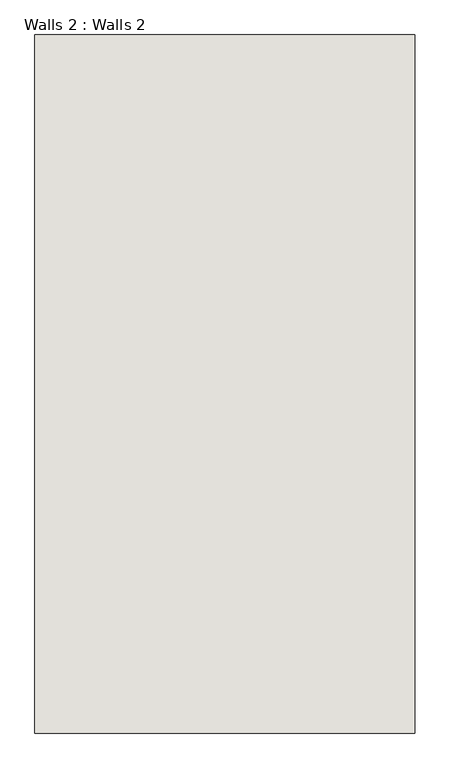
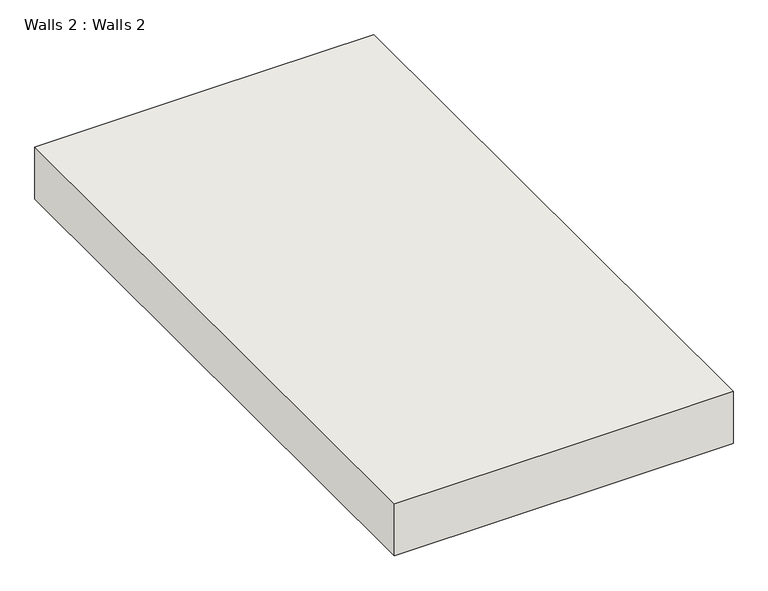
"""IFC4 building model written with IfcOpenShell, lengths in millimetres: wall geometry, Walls 2 : Walls 2."""

from ifc_helpers import new_model, si_unit, origin, place, context, project, spatial, faceted_brep, source, transform, mapped, element, save


def walls_2_walls_2_668a6c55(model_context):
    return source(origin(), model_context, "Body", "Brep", [
        faceted_brep([(16116.1409002, -10416.4114294, -304.8), (16116.1409002, -12143.6114294, -304.8), (16116.1409002, -12143.6114294, -457.2), (16116.1409002, -10416.4114294, -457.2), (15658.9409002, -10416.4114294, -304.8), (15176.3409002, -10416.4114294, -304.8), (15176.3409002, -12143.6114294, -304.8), (15658.9409002, -12143.6114294, -304.8), (15176.3409002, -12143.6114294, -457.2), (15176.3409002, -10416.4114294, -457.2)], [[[0, 1, 2, 3]], [[1, 0, 4, 5, 6, 7]], [[2, 1, 7, 6, 8]], [[3, 2, 8, 9]], [[0, 3, 9, 5, 4]], [[6, 5, 9, 8]]]),
    ])


if __name__ == "__main__":
    model = new_model("IFC4")
    model_context = context("Model", 3, world=origin())
    ifc_project = project(units=[si_unit("LENGTHUNIT", "METRE", prefix="MILLI")], contexts=[model_context])
    site = spatial("IfcSite", under=ifc_project)
    building = spatial("IfcBuilding", under=site)
    placement = place(None, origin())
    walls_2_walls_2_shape = walls_2_walls_2_668a6c55(model_context)
    element("IfcWall", 1, ObjectType="Walls 2 : Walls 2", at=placement, inside=building, context=model_context, shape_type="MappedRepresentation", body=[
        mapped(walls_2_walls_2_shape, transform((0.0, 0.0, 0.0), x_axis=(1.0, 0.0, 0.0), y_axis=(0.0, 1.0, 0.0), z_axis=(0.0, 0.0, 1.0))),
    ])
    save(model, "model.ifc")
